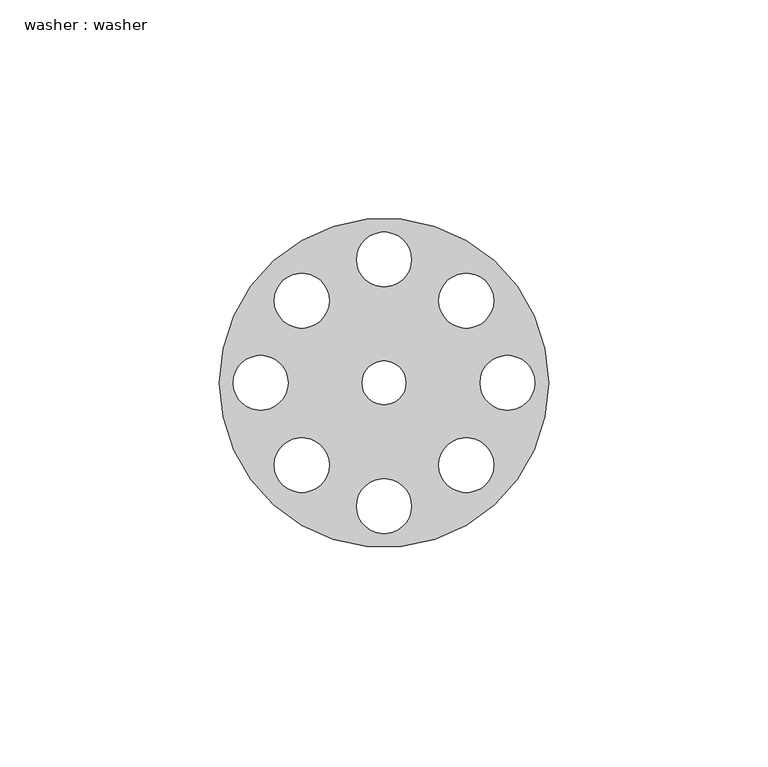
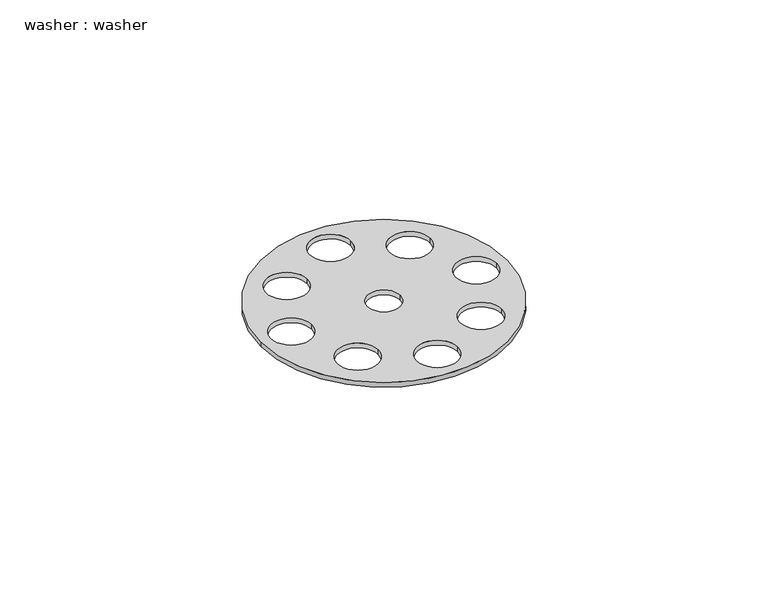
"""IFC4 building model written with IfcOpenShell, lengths in millimetres: proxy geometry, washer : washer."""

from ifc_helpers import new_model, si_unit, point, frame_2d, origin, origin_with_axes, origin_2d, place, context, project, spatial, circle_curve, trimmed, segment, composite_curve, outline, extrude, source, transform, mapped, element, save


def washer_washer_07d8e5de(model_context):
    return source(origin(), model_context, "Body", "SweptSolid", [
        extrude(outline(composite_curve([segment(trimmed(circle_curve(origin_2d(), 37.5), [point((-37.5, 0.0))], [point((37.5, 0.0))], False, "CARTESIAN"), True, "CONTINUOUS"), segment(trimmed(circle_curve(origin_2d(), 37.5), [point((37.5, 0.0))], [point((-37.5, 0.0))], False, "CARTESIAN"), True, "CONTINUOUS")], self_intersect=False), holes=[composite_curve([segment(trimmed(circle_curve(frame_2d((0.0, -28.125)), 6.25), [point((-6.25, -28.125))], [point((6.25, -28.125))], True, "CARTESIAN"), True, "CONTINUOUS"), segment(trimmed(circle_curve(frame_2d((0.0, -28.125)), 6.25), [point((6.25, -28.125))], [point((-6.25, -28.125))], True, "CARTESIAN"), True, "CONTINUOUS")], self_intersect=False), composite_curve([segment(trimmed(circle_curve(frame_2d((-18.75, -18.75)), 6.25), [point((-25.0, -18.75))], [point((-12.5, -18.75))], True, "CARTESIAN"), True, "CONTINUOUS"), segment(trimmed(circle_curve(frame_2d((-18.75, -18.75)), 6.25), [point((-12.5, -18.75))], [point((-25.0, -18.75))], True, "CARTESIAN"), True, "CONTINUOUS")], self_intersect=False), composite_curve([segment(trimmed(circle_curve(frame_2d((-28.125, 0.0)), 6.25), [point((-34.375, 0.0))], [point((-21.875, 0.0))], True, "CARTESIAN"), True, "CONTINUOUS"), segment(trimmed(circle_curve(frame_2d((-28.125, 0.0)), 6.25), [point((-21.875, 0.0))], [point((-34.375, 0.0))], True, "CARTESIAN"), True, "CONTINUOUS")], self_intersect=False), composite_curve([segment(trimmed(circle_curve(frame_2d((-18.75, 18.75)), 6.25), [point((-25.0, 18.75))], [point((-12.5, 18.75))], True, "CARTESIAN"), True, "CONTINUOUS"), segment(trimmed(circle_curve(frame_2d((-18.75, 18.75)), 6.25), [point((-12.5, 18.75))], [point((-25.0, 18.75))], True, "CARTESIAN"), True, "CONTINUOUS")], self_intersect=False), composite_curve([segment(trimmed(circle_curve(frame_2d((0.0, 28.125)), 6.25), [point((-6.25, 28.125))], [point((6.25, 28.125))], True, "CARTESIAN"), True, "CONTINUOUS"), segment(trimmed(circle_curve(frame_2d((0.0, 28.125)), 6.25), [point((6.25, 28.125))], [point((-6.25, 28.125))], True, "CARTESIAN"), True, "CONTINUOUS")], self_intersect=False), composite_curve([segment(trimmed(circle_curve(frame_2d((18.75, 18.75)), 6.25), [point((12.5, 18.75))], [point((25.0, 18.75))], True, "CARTESIAN"), True, "CONTINUOUS"), segment(trimmed(circle_curve(frame_2d((18.75, 18.75)), 6.25), [point((25.0, 18.75))], [point((12.5, 18.75))], True, "CARTESIAN"), True, "CONTINUOUS")], self_intersect=False), composite_curve([segment(trimmed(circle_curve(frame_2d((28.125, 0.0)), 6.25), [point((21.875, 0.0))], [point((34.375, 0.0))], True, "CARTESIAN"), True, "CONTINUOUS"), segment(trimmed(circle_curve(frame_2d((28.125, 0.0)), 6.25), [point((34.375, 0.0))], [point((21.875, 0.0))], True, "CARTESIAN"), True, "CONTINUOUS")], self_intersect=False), composite_curve([segment(trimmed(circle_curve(frame_2d((18.75, -18.75)), 6.25), [point((12.5, -18.75))], [point((25.0, -18.75))], True, "CARTESIAN"), True, "CONTINUOUS"), segment(trimmed(circle_curve(frame_2d((18.75, -18.75)), 6.25), [point((25.0, -18.75))], [point((12.5, -18.75))], True, "CARTESIAN"), True, "CONTINUOUS")], self_intersect=False), composite_curve([segment(trimmed(circle_curve(origin_2d(), 5.0), [point((-5.0, 0.0))], [point((5.0, 0.0))], True, "CARTESIAN"), True, "CONTINUOUS"), segment(trimmed(circle_curve(origin_2d(), 5.0), [point((5.0, 0.0))], [point((-5.0, 0.0))], True, "CARTESIAN"), True, "CONTINUOUS")], self_intersect=False)]), origin_with_axes(), (0.0, 0.0, 1.0), 1.5),
    ])


if __name__ == "__main__":
    model = new_model("IFC4")
    model_context = context("Model", 3, world=origin())
    ifc_project = project(units=[si_unit("LENGTHUNIT", "METRE", prefix="MILLI")], contexts=[model_context])
    site = spatial("IfcSite", under=ifc_project)
    building = spatial("IfcBuilding", under=site)
    placement = place(None, origin())
    washer_washer_shape = washer_washer_07d8e5de(model_context)
    element("IfcBuildingElementProxy", 1, Name="washer : washer", ObjectType="washer : washer", at=placement, inside=building, context=model_context, shape_type="MappedRepresentation", body=[
        mapped(washer_washer_shape, transform((0.0, 0.0, 0.0), x_axis=(1.0, 0.0, 0.0), y_axis=(0.0, 1.0, 0.0), z_axis=(0.0, 0.0, 1.0))),
    ])
    save(model, "model.ifc")
